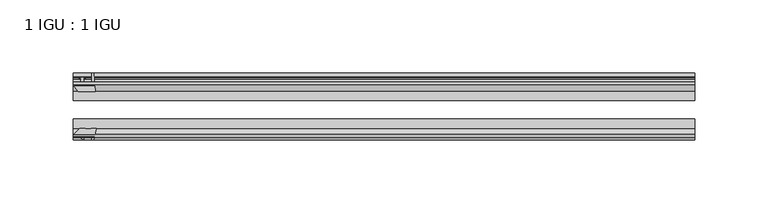
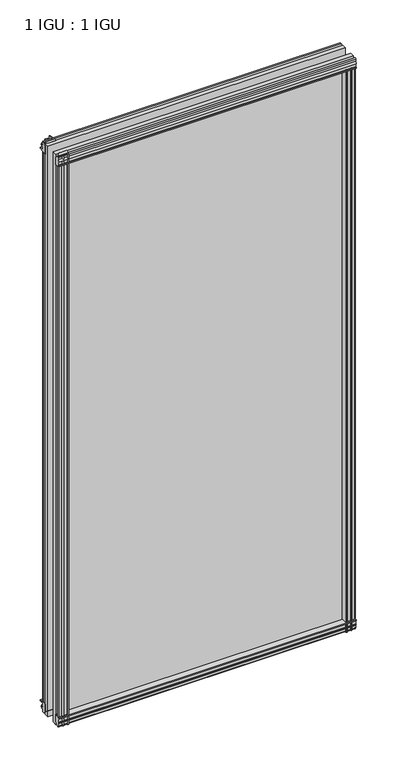
"""IFC4 building model written with IfcOpenShell, lengths in millimetres: plate geometry, 1 IGU : 1 IGU."""

import ifcopenshell
import ifcopenshell.guid

model = None  # the IFC model being written
_history = None  # IfcOwnerHistory: only IFC2X3 demands one
_inside = {}  # id of a spatial element -> (the spatial element, [elements in it])
_under = {}  # id of a project, library or spatial element -> (it, [spatial elements below it])
_declared = {}  # id of a project -> (the project, [libraries it declares])
_typed = {}  # id of a type object -> (the type object, [elements of that type])
_made_of = {}  # id of a material, layer set ... -> (it, [elements and type objects made of it])


def new_model(schema):
    """Start an empty IFC model of exactly this schema.

    Asked for "IFC4X3", IfcOpenShell would pick the latest addendum, in which some entities
    have other attributes; the version numbers below select the first issue.
    IFC2X3 requires an IfcOwnerHistory on every rooted entity: one is made here for all.
    """
    global model, _history
    if schema == "IFC4X3":
        model = ifcopenshell.file(schema_version=(4, 3, 0, 0))
    else:
        model = ifcopenshell.file(schema=schema)
    _inside.clear()
    _under.clear()
    _declared.clear()
    _typed.clear()
    _made_of.clear()
    _history = None
    if model.schema == "IFC2X3":
        org = make("IfcOrganization", Name="unknown")
        user = make(
            "IfcPersonAndOrganization",
            ThePerson=make("IfcPerson", FamilyName="unknown"),
            TheOrganization=org,
        )
        app = make(
            "IfcApplication",
            ApplicationDeveloper=org,
            Version="unknown",
            ApplicationFullName="unknown",
            ApplicationIdentifier="unknown",
        )
        _history = make(
            "IfcOwnerHistory",
            OwningUser=user,
            OwningApplication=app,
            ChangeAction="ADDED",
            CreationDate=0,
        )
    return model


def make(cls, **values):
    """One entity of the class cls with the attributes given. An attribute that is None is left unset."""
    return model.create_entity(
        cls, **{name: value for name, value in values.items() if value is not None}
    )


def rooted(cls, **values):
    """An entity with a GlobalId (a new one), such as an element, a storey or a relation."""
    return make(cls, GlobalId=ifcopenshell.guid.new(), OwnerHistory=_history, **values)


def si_unit(unit_type, name, prefix=None):
    """IfcSIUnit, for example si_unit("LENGTHUNIT", "METRE", prefix="MILLI")."""
    return make("IfcSIUnit", UnitType=unit_type, Prefix=prefix, Name=name)


def assignment(units):
    """IfcUnitAssignment: the units of a project."""
    return None if units is None else make("IfcUnitAssignment", Units=units)


def point(xyz):
    """IfcCartesianPoint."""
    return None if xyz is None else make("IfcCartesianPoint", Coordinates=xyz)


def direction(xyz):
    """IfcDirection."""
    return None if xyz is None else make("IfcDirection", DirectionRatios=xyz)


def frame(location, z_axis=None, x_axis=None):
    """IfcAxis2Placement3D, a coordinate frame: its origin and axes. An axis left out is left unset."""
    return make(
        "IfcAxis2Placement3D",
        Location=point(location),
        Axis=direction(z_axis),
        RefDirection=direction(x_axis),
    )


def frame_2d(location, x_axis=None):
    """IfcAxis2Placement2D, a coordinate frame in the plane: its origin and x axis."""
    return make(
        "IfcAxis2Placement2D", Location=point(location), RefDirection=direction(x_axis)
    )


def origin():
    """The frame at (0, 0, 0) with its axes left unset."""
    return frame((0.0, 0.0, 0.0))


def place(relative_to, where):
    """IfcLocalPlacement: puts the frame where relative to a parent placement (None: the world)."""
    return make(
        "IfcLocalPlacement", PlacementRelTo=relative_to, RelativePlacement=where
    )


def context(
    kind, dimensions, precision=None, world=None, true_north=None, identifier=None
):
    """IfcGeometricRepresentationContext, for example the 3D "Model" context."""
    return make(
        "IfcGeometricRepresentationContext",
        ContextIdentifier=identifier,
        ContextType=kind,
        CoordinateSpaceDimension=dimensions,
        Precision=precision,
        WorldCoordinateSystem=world,
        TrueNorth=true_north,
    )


def project(units=None, contexts=None):
    """IfcProject with its units and contexts."""
    return rooted(
        "IfcProject",
        Name="project",
        RepresentationContexts=contexts,
        UnitsInContext=assignment(units),
    )


def spatial(cls, under=None, at=None, **own):
    """A site, building, storey or space (cls), placed at a placement, below another one or the project."""
    s = rooted(cls, ObjectPlacement=at, **own)
    if under is not None:
        _under.setdefault(under.id(), (under, []))[1].append(s)
    return s


def polyline(points):
    """IfcPolyline through the points."""
    return make("IfcPolyline", Points=[point(p) for p in points])


def circle_curve(where, radius):
    """IfcCircle in the frame where."""
    return make("IfcCircle", Position=where, Radius=radius)


def trimmed(basis, trim1, trim2, sense, master):
    """IfcTrimmedCurve: the piece of a basis curve between two trims."""
    return make(
        "IfcTrimmedCurve",
        BasisCurve=basis,
        Trim1=trim1,
        Trim2=trim2,
        SenseAgreement=sense,
        MasterRepresentation=master,
    )


def segment(curve, same_sense, transition):
    """IfcCompositeCurveSegment."""
    return make(
        "IfcCompositeCurveSegment",
        Transition=transition,
        SameSense=same_sense,
        ParentCurve=curve,
    )


def composite_curve(segments, self_intersect=None):
    """IfcCompositeCurve: segments joined end to end."""
    return make("IfcCompositeCurve", Segments=segments, SelfIntersect=self_intersect)


def outline(outer, holes=None, kind="AREA"):
    """IfcArbitraryClosedProfileDef: a profile drawn as a closed curve; with holes, ...WithVoids."""
    if holes is None:
        return make("IfcArbitraryClosedProfileDef", ProfileType=kind, OuterCurve=outer)
    return make(
        "IfcArbitraryProfileDefWithVoids",
        ProfileType=kind,
        OuterCurve=outer,
        InnerCurves=holes,
    )


def extrude(swept, where, along, depth):
    """IfcExtrudedAreaSolid: the profile swept, set in the frame where, extruded along a direction by depth."""
    return make(
        "IfcExtrudedAreaSolid",
        SweptArea=swept,
        Position=where,
        ExtrudedDirection=direction(along),
        Depth=depth,
    )


def shape(context_of_items, identifier, shape_type, items):
    """IfcShapeRepresentation: the items that make up one representation, for example the "Body"."""
    return make(
        "IfcShapeRepresentation",
        ContextOfItems=context_of_items,
        RepresentationIdentifier=identifier,
        RepresentationType=shape_type,
        Items=items,
    )


def source(mapping_origin, context_of_items, identifier, shape_type, items):
    """IfcRepresentationMap: a shape defined once, which mapped items show again and again."""
    return make(
        "IfcRepresentationMap",
        MappingOrigin=mapping_origin,
        MappedRepresentation=shape(context_of_items, identifier, shape_type, items),
    )


def transform(
    local_origin,
    x_axis=None,
    y_axis=None,
    z_axis=None,
    scale=None,
    scale2=None,
    scale3=None,
    uniform=True,
):
    """IfcCartesianTransformationOperator3D, or its non-uniform kind. x_axis, y_axis, z_axis: its Axis1, 2, 3."""
    if uniform:
        return make(
            "IfcCartesianTransformationOperator3D",
            Axis1=direction(x_axis),
            Axis2=direction(y_axis),
            LocalOrigin=point(local_origin),
            Scale=scale,
            Axis3=direction(z_axis),
        )
    return make(
        "IfcCartesianTransformationOperator3DnonUniform",
        Axis1=direction(x_axis),
        Axis2=direction(y_axis),
        LocalOrigin=point(local_origin),
        Scale=scale,
        Axis3=direction(z_axis),
        Scale2=scale2,
        Scale3=scale3,
    )


def mapped(mapping_source, mapping_target):
    """IfcMappedItem: shows the shape of a source again, moved by a transform."""
    return make(
        "IfcMappedItem", MappingSource=mapping_source, MappingTarget=mapping_target
    )


def made_of(thing, what):
    """Note that an element or type object is made of a material, layer set ...; save() writes the relation."""
    if what is not None:
        _made_of.setdefault(what.id(), (what, []))[1].append(thing)
    return thing


def element(
    cls,
    number,
    at=None,
    inside=None,
    cuts=None,
    type_object=None,
    material=None,
    context=None,
    identifier="Body",
    shape_type=None,
    held_by="IfcProductDefinitionShape",
    body=None,
    shapes=None,
    **own,
):
    """One element of the class cls, such as IfcWall. Its Tag is "e" and its number.

    at: its placement. inside: the storey or other place that contains it. cuts: it is an
    opening in that element (IfcRelVoidsElement). A single representation is given by context,
    identifier, shape_type and body (its items); several are given by shapes. held_by: the class
    of the entity that holds the representations. save() writes the other relations.
    """
    e = rooted(cls, Tag="e%d" % number, ObjectPlacement=at, **own)
    if body is not None:
        shapes = [shape(context, identifier, shape_type, body)]
    if shapes is not None:
        e.Representation = make(held_by, Representations=shapes)
    if inside is not None:
        _inside.setdefault(inside.id(), (inside, []))[1].append(e)
    if cuts is not None:
        rooted(
            "IfcRelVoidsElement", RelatingBuildingElement=cuts, RelatedOpeningElement=e
        )
    if type_object is not None:
        _typed.setdefault(type_object.id(), (type_object, []))[1].append(e)
    return made_of(e, material)


def aggregate(whole, parts):
    """IfcRelAggregates: a whole, such as a stair, and the parts it consists of."""
    return rooted("IfcRelAggregates", RelatingObject=whole, RelatedObjects=parts)


def save(model, path):
    """Write the relations noted so far, then the file.

    IfcRelAggregates (storeys below a building ...), IfcRelContainedInSpatialStructure (elements
    in a storey), IfcRelDefinesByType, IfcRelAssociatesMaterial and IfcRelDeclares: one each for
    every whole, place, type object, material and project.
    """
    for whole, parts in _under.values():
        aggregate(whole, parts)
    for where, things in _inside.values():
        rooted(
            "IfcRelContainedInSpatialStructure",
            RelatedElements=things,
            RelatingStructure=where,
        )
    for kind, things in _typed.values():
        rooted("IfcRelDefinesByType", RelatedObjects=things, RelatingType=kind)
    for what, things in _made_of.values():
        rooted("IfcRelAssociatesMaterial", RelatedObjects=things, RelatingMaterial=what)
    for by, libraries in _declared.values():
        rooted("IfcRelDeclares", RelatingContext=by, RelatedDefinitions=libraries)
    model.write(path)


def plate_1_igu_1_igu_3148662c(model_context):
    return source(origin(), model_context, "Body", "SweptSolid", [
        extrude(outline(polyline([(-24.9039062, 2.5763839), (-12.2039062, 1.5739665), (-12.2039062, 0.0), (-18.5539062, 0.0), (-18.5539062, -4.953), (-16.254502, -5.5691235), (-16.6301757, -4.1670901), (-15.7714677, -3.937), (-15.1249062, -6.35), (-15.7714677, -8.763), (-16.6301757, -8.5329099), (-16.254502, -7.1308765), (-18.5539062, -7.747), (-18.5539062, -12.7), (-20.5859062, -12.7), (-24.9039062, -9.1036931), (-24.9039062, 2.5763839)])), frame((-213.8499253, 0.0, 0.0), z_axis=(1.0, 0.0, 0.0), x_axis=(0.0, 1.0, 0.0)), (0.0, 0.0, 1.0), 426.0131319),
        extrude(outline(composite_curve([segment(polyline([(-58.2287402, 1.5687054), (-50.3039062, 3.0983599), (-50.3039062, -7.92383), (-54.4858806, -12.1058044)]), True, "CONTINUOUS"), segment(trimmed(circle_curve(frame_2d((-55.3839062, -11.2077788)), 1.27), [point((-54.4858806, -12.1058044))], [point((-56.6539062, -11.2077788))], False, "CARTESIAN"), True, "CONTINUOUS"), segment(polyline([(-56.6539062, -11.2077788), (-56.6539062, -8.0327788), (-58.1332022, -5.4488186), (-56.6539062, -5.1879788), (-56.6539062, 0.2222212), (-58.2287402, 0.0), (-58.2287402, 1.5687054)]), True, "CONTINUOUS")], self_intersect=False)), frame((-213.8499253, 0.0, 0.0), z_axis=(1.0, 0.0, 0.0), x_axis=(0.0, 1.0, 0.0)), (0.0, 0.0, 1.0), 426.0131319),
        extrude(outline(polyline([(-18.5539063, 845.956525), (-16.254502, 845.3404015), (-16.6301757, 846.7424349), (-15.7714677, 846.972525), (-15.1249063, 844.559525), (-15.7714677, 842.146525), (-16.6301757, 842.3766151), (-16.254502, 843.7786485), (-18.5539063, 843.162525), (-18.5539063, 838.209525), (-12.2039062, 838.209525), (-12.2039062, 836.6355584), (-24.9039063, 835.6331411), (-24.9039063, 847.3132181), (-20.5859063, 850.909525), (-18.5539063, 850.909525), (-18.5539063, 845.956525)])), frame((-213.8499253, 0.0, 0.0), z_axis=(1.0, 0.0, 0.0), x_axis=(0.0, 1.0, 0.0)), (0.0, 0.0, 1.0), 426.0131319),
        extrude(outline(composite_curve([segment(polyline([(-50.3039063, 846.133355), (-50.3039063, 835.1111651), (-58.2287402, 836.6408196), (-58.2287402, 838.209525), (-56.6539063, 837.9873038), (-56.6539063, 843.3975038), (-58.1332023, 843.6583436), (-56.6539063, 846.2423038), (-56.6539063, 849.4173038)]), True, "CONTINUOUS"), segment(trimmed(circle_curve(frame_2d((-55.3839063, 849.4173038)), 1.27), [point((-56.6539063, 849.4173038))], [point((-54.4858806, 850.3153294))], False, "CARTESIAN"), True, "CONTINUOUS"), segment(polyline([(-54.4858806, 850.3153294), (-50.3039063, 846.133355)]), True, "CONTINUOUS")], self_intersect=False)), frame((-213.8499253, 0.0, 0.0), z_axis=(1.0, 0.0, 0.0), x_axis=(0.0, 1.0, 0.0)), (0.0, 0.0, 1.0), 426.0131319),
        extrude(outline(composite_curve([segment(polyline([(197.7321626, -57.3876965), (196.3648466, -50.3039063), (207.3870366, -50.3039063), (211.569011, -54.4858806)]), True, "CONTINUOUS"), segment(trimmed(circle_curve(frame_2d((210.6709854, -55.3839062)), 1.27), [point((211.569011, -54.4858806))], [point((210.6709854, -56.6539062))], False, "CARTESIAN"), True, "CONTINUOUS"), segment(polyline([(210.6709854, -56.6539062), (207.4959854, -56.6539063), (204.9120252, -58.1332022), (204.6511854, -56.6539063), (199.2409854, -56.6539063), (199.4632066, -58.2287402), (198.4988858, -58.2014026)]), True, "CONTINUOUS"), segment(trimmed(circle_curve(frame_2d((198.7329854, -57.2127402)), 1.016), [point((198.4988858, -58.2014026))], [point((197.7321626, -57.3876965))], False, "CARTESIAN"), True, "CONTINUOUS")], self_intersect=False)), frame((0.0, 0.0, -12.7), z_axis=(0.0, 0.0, 1.0), x_axis=(1.0, 0.0, 0.0)), (0.0, 0.0, 1.0), 851.3064),
        extrude(outline(polyline([(204.4162066, -18.5539062), (205.0323301, -16.254502), (203.6302967, -16.6301757), (203.4002066, -15.7714677), (205.8132066, -15.1249062), (208.2262066, -15.7714677), (207.9961164, -16.6301757), (206.5940831, -16.254502), (207.2102066, -18.5539062), (212.1632066, -18.5539062), (212.1632066, -20.5859062), (208.5668997, -24.9039063), (196.8868226, -24.9039063), (197.88924, -12.2039062), (199.4632066, -12.2039062), (199.4632066, -18.5539062), (204.4162066, -18.5539062)])), frame((0.0, 0.0, -12.7), z_axis=(0.0, 0.0, 1.0), x_axis=(1.0, 0.0, 0.0)), (0.0, 0.0, 1.0), 851.3064),
        extrude(outline(composite_curve([segment(polyline([(-209.1827041, -56.6539062), (-212.3577041, -56.6539062)]), True, "CONTINUOUS"), segment(trimmed(circle_curve(frame_2d((-212.3577041, -55.3839062)), 1.27), [point((-212.3577041, -56.6539062))], [point((-213.2557297, -54.4858806))], False, "CARTESIAN"), True, "CONTINUOUS"), segment(polyline([(-213.2557297, -54.4858806), (-209.0737553, -50.3039062), (-205.4042099, -50.3039062)]), True, "CONTINUOUS"), segment(trimmed(circle_curve(frame_2d((-203.3407041, -46.3669062)), 4.445), [point((-205.4042099, -50.3039062))], [point((-201.2771984, -50.3039062))], True, "CARTESIAN"), True, "CONTINUOUS"), segment(polyline([(-201.2771984, -50.3039062), (-198.0515654, -50.3039062), (-199.5812199, -58.2287402), (-201.1499253, -58.2287402), (-200.9277041, -56.6539062), (-206.3379041, -56.6539062), (-206.5987439, -58.1332022), (-209.1827041, -56.6539062)]), True, "CONTINUOUS")], self_intersect=False)), frame((0.0, 0.0, -12.7), z_axis=(0.0, 0.0, 1.0), x_axis=(1.0, 0.0, 0.0)), (0.0, 0.0, 1.0), 863.609525),
        extrude(outline(polyline([(-198.5735414, -24.9039062), (-210.2536184, -24.9039062), (-213.8499253, -20.5859062), (-213.8499253, -18.5539062), (-208.8969253, -18.5539062), (-208.2808018, -16.254502), (-209.6828352, -16.6301757), (-209.9129253, -15.7714677), (-207.4999253, -15.1249062), (-205.0869253, -15.7714677), (-205.3170155, -16.6301757), (-206.7190488, -16.254502), (-206.1029253, -18.5539062), (-201.1499253, -18.5539062), (-201.1499253, -12.2039062), (-199.5759588, -12.2039062), (-198.5735414, -24.9039062)])), frame((0.0, 0.0, -12.7), z_axis=(0.0, 0.0, 1.0), x_axis=(1.0, 0.0, 0.0)), (0.0, 0.0, 1.0), 863.609525),
        extrude(outline(polyline([(212.1632066, -24.9039062), (212.1632066, -31.2031063), (-213.8499253, -31.2031063), (-213.8499253, -24.9039062), (212.1632066, -24.9039062)])), frame((0.0, 0.0, -12.7), z_axis=(0.0, 0.0, 1.0), x_axis=(1.0, 0.0, 0.0)), (0.0, 0.0, 1.0), 863.609525),
        extrude(outline(polyline([(-213.8499253, -44.0047063), (212.1632066, -44.0047063), (212.1632066, -50.3039062), (-213.8499253, -50.3039062), (-213.8499253, -44.0047063)])), frame((0.0, 0.0, -12.7), z_axis=(0.0, 0.0, 1.0), x_axis=(1.0, 0.0, 0.0)), (0.0, 0.0, 1.0), 863.609525),
    ])


if __name__ == "__main__":
    model = new_model("IFC4")
    model_context = context("Model", 3, world=origin())
    ifc_project = project(units=[si_unit("LENGTHUNIT", "METRE", prefix="MILLI")], contexts=[model_context])
    site = spatial("IfcSite", under=ifc_project)
    building = spatial("IfcBuilding", under=site)
    placement = place(None, origin())
    plate_1_igu_1_igu_shape = plate_1_igu_1_igu_3148662c(model_context)
    element("IfcPlate", 1, ObjectType="1 IGU : 1 IGU", at=placement, inside=building, context=model_context, shape_type="MappedRepresentation", body=[
        mapped(plate_1_igu_1_igu_shape, transform((0.0, 0.0, 0.0), x_axis=(1.0, 0.0, 0.0), y_axis=(0.0, 1.0, 0.0), z_axis=(0.0, 0.0, 1.0))),
    ])
    save(model, "model.ifc")
